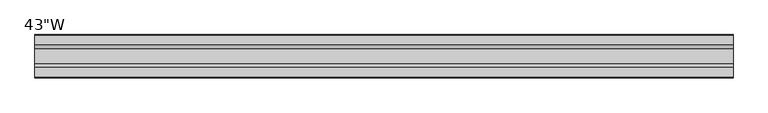
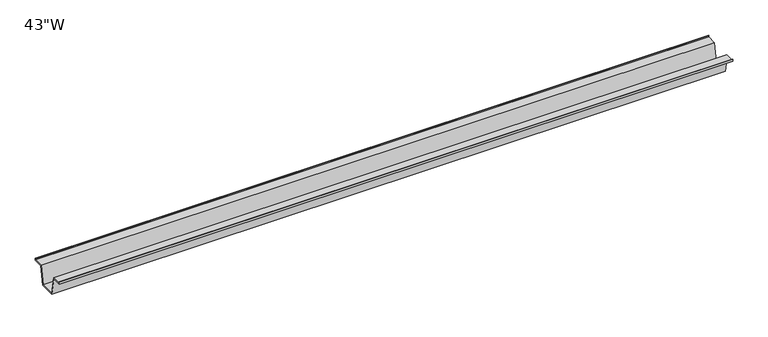
"""IFC4 building model written with IfcOpenShell, lengths in millimetres: furniture geometry."""

from ifc_helpers import new_model, si_unit, frame, origin, place, context, project, spatial, polyline, outline, extrude, source, transform, mapped, element, save


def furniture_63888fc7(model_context):
    return source(origin(), model_context, "Body", "SweptSolid", [
        extrude(outline(polyline([(-22.9397721, 704.03466), (-28.502372, 673.8086607), (-53.9023728, 673.8086607), (-59.4649727, 704.03466), (-75.3653716, 704.03466), (-75.3653716, 707.20966), (-74.5716216, 707.20966), (-74.5716216, 704.82841), (-58.8172994, 704.82841), (-53.2546995, 674.6024107), (-29.1500453, 674.6024107), (-23.5874454, 704.82841), (-7.8331232, 704.82841), (-7.8331232, 707.20966), (-7.0393732, 707.20966), (-7.0393732, 704.03466), (-22.9397721, 704.03466)])), frame((-549.91, 0.0, 0.0), z_axis=(1.0, 0.0, 0.0), x_axis=(0.0, 1.0, 0.0)), (0.0, 0.0, 1.0), 1099.82),
    ])


if __name__ == "__main__":
    model = new_model("IFC4")
    model_context = context("Model", 3, world=origin())
    ifc_project = project(units=[si_unit("LENGTHUNIT", "METRE", prefix="MILLI")], contexts=[model_context])
    site = spatial("IfcSite", under=ifc_project)
    building = spatial("IfcBuilding", under=site)
    placement = place(None, origin())
    furniture_shape = furniture_63888fc7(model_context)
    element("IfcFurniture", 1, ObjectType="43\"W", at=placement, inside=building, context=model_context, shape_type="MappedRepresentation", body=[
        mapped(furniture_shape, transform((0.0, 0.0, 0.0), x_axis=(1.0, 0.0, 0.0), y_axis=(0.0, 1.0, 0.0), z_axis=(0.0, 0.0, 1.0))),
    ])
    save(model, "model.ifc")
